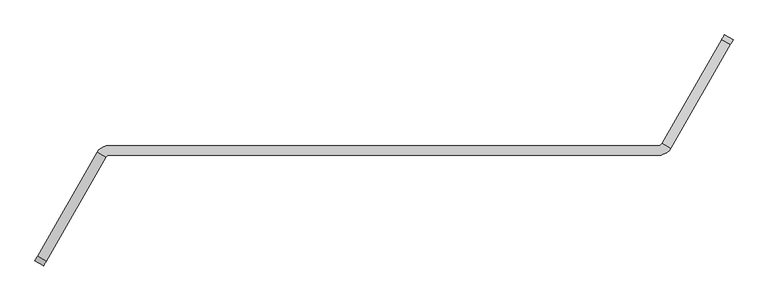
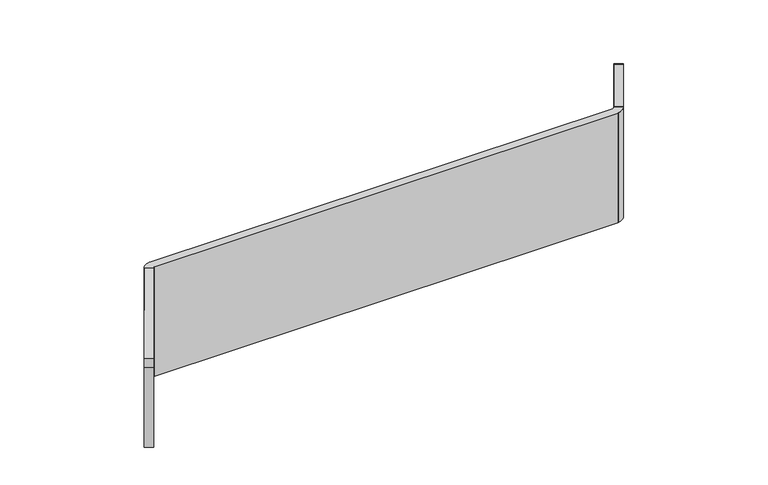
"""IFC4 building model written with IfcOpenShell, lengths in millimetres: furniture geometry."""

from ifc_helpers import new_model, si_unit, point, frame, frame_2d, origin, place, context, project, spatial, polyline, circle_curve, trimmed, segment, composite_curve, outline, extrude, source, transform, mapped, element, save


def furniture_9073413c(model_context):
    return source(origin(), model_context, "Body", "SweptSolid", [
        extrude(outline(composite_curve([segment(polyline([(24.6357363, 31.5838899), (133.6777992, -402.8241508), (-366.4895932, -402.8241508), (-366.4895932, 50.8), (0.0, 50.8)]), True, "CONTINUOUS"), segment(trimmed(circle_curve(frame_2d((0.0, 25.4)), 25.4), [point((0.0, 50.8))], [point((24.6357363, 31.5838899))], False, "CARTESIAN"), True, "CONTINUOUS")], self_intersect=False)), frame((1811.6769324, 401.2643254, 1118.9645932), z_axis=(-0.867040765573189, 0.4982372033823431, 0.0), x_axis=(0.0, 0.0, 1.0)), (0.0, 0.0, 1.0), 35.9627605),
        extrude(outline(composite_curve([segment(trimmed(circle_curve(frame_2d((0.0, 25.4)), 25.4), [point((-24.6357363, 31.5838899))], [point((0.0, 50.8))], False, "CARTESIAN"), True, "CONTINUOUS"), segment(polyline([(0.0, 50.8), (366.4895932, 50.8), (366.4895932, -402.8241508), (-133.6777992, -402.8241508), (-24.6357363, 31.5838899)]), True, "CONTINUOUS")], self_intersect=False)), frame((-639.5086452, -329.8459345, 1118.9645932), z_axis=(-0.8670407655731922, 0.4982372033823375, 0.0), x_axis=(0.0, 0.0, -1.0)), (0.0, 0.0, 1.0), 35.9627605),
        extrude(outline(composite_curve([segment(trimmed(circle_curve(frame_2d((1566.2326319, 76.4062786)), 15.0353716), [point((1570.4073623, 61.9621094))], [point((1579.7952673, 69.9164928))], True, "CARTESIAN"), True, "CONTINUOUS"), segment(polyline([(1579.7952673, 69.9164928), (1610.9359467, 52.0217805)]), True, "CONTINUOUS"), segment(trimmed(circle_curve(frame_2d((1567.4577624, 76.8802718)), 50.0829023), [point((1610.9359467, 52.0217805))], [point((1578.2224902, 27.9679243))], False, "CARTESIAN"), True, "CONTINUOUS"), segment(trimmed(circle_curve(frame_2d((1572.7630604, 52.7742667)), 25.4), [point((1578.2224902, 27.9679243))], [point((1572.7630604, 27.3742667))], False, "CARTESIAN"), True, "CONTINUOUS"), segment(polyline([(1572.7630604, 27.3742667), (-429.4202545, 27.3742667)]), True, "CONTINUOUS"), segment(trimmed(circle_curve(frame_2d((-425.2455241, 12.9300975)), 15.0353716), [point((-429.4202545, 27.3742667))], [point((-438.8081595, 19.4198833))], True, "CARTESIAN"), True, "CONTINUOUS"), segment(polyline([(-438.8081595, 19.4198833), (-469.948839, 37.3145956)]), True, "CONTINUOUS"), segment(trimmed(circle_curve(frame_2d((-426.4706546, 12.4561043)), 50.0829023), [point((-469.948839, 37.3145956))], [point((-437.2353824, 61.3684518))], False, "CARTESIAN"), True, "CONTINUOUS"), segment(trimmed(circle_curve(frame_2d((-431.7759527, 36.5621094)), 25.4), [point((-437.2353824, 61.3684518))], [point((-431.7759527, 61.9621094))], False, "CARTESIAN"), True, "CONTINUOUS"), segment(polyline([(-431.7759527, 61.9621094), (1570.4073623, 61.9621094)]), True, "CONTINUOUS")], self_intersect=False)), frame((0.0, 0.0, 752.475), z_axis=(0.0, 0.0, 1.0), x_axis=(1.0, 0.0, 0.0)), (0.0, 0.0, 1.0), 500.1617188),
    ])


if __name__ == "__main__":
    model = new_model("IFC4")
    model_context = context("Model", 3, world=origin())
    ifc_project = project(units=[si_unit("LENGTHUNIT", "METRE", prefix="MILLI")], contexts=[model_context])
    site = spatial("IfcSite", under=ifc_project)
    building = spatial("IfcBuilding", under=site)
    placement = place(None, origin())
    furniture_shape = furniture_9073413c(model_context)
    element("IfcFurniture", 1, at=placement, inside=building, context=model_context, shape_type="MappedRepresentation", body=[
        mapped(furniture_shape, transform((0.0, 0.0, 0.0), x_axis=(1.0, 0.0, 0.0), y_axis=(0.0, 1.0, 0.0), z_axis=(0.0, 0.0, 1.0))),
    ])
    save(model, "model.ifc")
